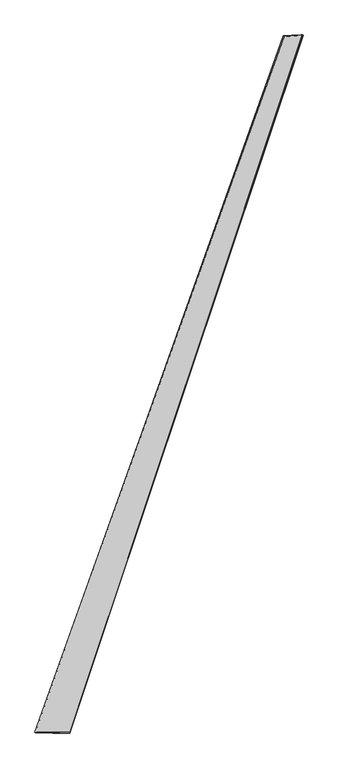
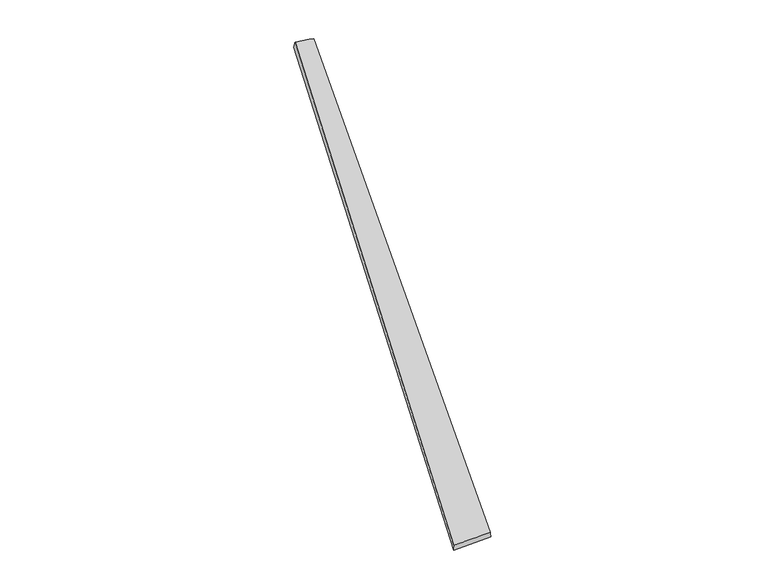
"""IFC4 building model written with IfcOpenShell, lengths in millimetres: proxy geometry."""

from ifc_helpers import new_model, si_unit, origin, place, context, project, spatial, source, transform, mapped, element, save
from ifc_brep_helpers import spline_surface, advanced_brep


def generic_models_97c7ae66(model_context):
    return source(origin(), model_context, "Body", "AdvancedBrep", [
        advanced_brep(
        [(-752.6274682, -1906.6562527, -5.7806911), (-754.1842133, -1906.2207118, 24.1757248), (747.1526242, 2283.4763858, 40.0836578), (740.7603833, 2285.8693414, 10.8704241), (-544.9554388, -1910.8395706, 35.7006146), (860.0777196, 2290.7786535, 18.6991915), (-543.2445454, -1911.5269488, 5.7573289), (855.1116303, 2292.3138601, -10.847062)],
        [
            (0, 1),
            (1, 2),
            (2, 3),
            (3, 0),
            (1, 4),
            (4, 5),
            (5, 2),
            (4, 6),
            (6, 7),
            (7, 5),
            (6, 0),
            (3, 7),
        ],
        [
            spline_surface(1, 1, [[(-752.6274682, -1906.6562527, -5.7806911), (740.7603833, 2285.8693414, 10.8704241)], [(-754.1842133, -1906.2207118, 24.1757248), (747.1526242, 2283.4763858, 40.0836578)]], [2, 2], [2, 2], [0.0, 1.0], [0.0, 1.0]),
            spline_surface(1, 1, [[(-754.1842133, -1906.2207118, 24.1757248), (747.1526242, 2283.4763858, 40.0836578)], [(-544.9554388, -1910.8395706, 35.7006146), (860.0777196, 2290.7786535, 18.6991915)]], [2, 2], [2, 2], [0.0, 1.0], [0.0, 1.0]),
            spline_surface(1, 1, [[(-544.9554388, -1910.8395706, 35.7006146), (860.0777196, 2290.7786535, 18.6991915)], [(-543.2445454, -1911.5269488, 5.7573289), (855.1116303, 2292.3138601, -10.847062)]], [2, 2], [2, 2], [0.0, 1.0], [0.0, 1.0]),
            spline_surface(1, 1, [[(-543.2445454, -1911.5269488, 5.7573289), (855.1116303, 2292.3138601, -10.847062)], [(-752.6274682, -1906.6562527, -5.7806911), (740.7603833, 2285.8693414, 10.8704241)]], [2, 2], [2, 2], [0.0, 1.0], [0.0, 1.0]),
            spline_surface(1, 1, [[(747.1526242, 2283.4763858, 40.0836578), (740.7603833, 2285.8693414, 10.8704241)], [(860.0777196, 2290.7786535, 18.6991915), (855.1116303, 2292.3138601, -10.847062)]], [2, 2], [2, 2], [0.0, 1.0], [0.0, 1.0]),
            spline_surface(1, 1, [[(-543.2445454, -1911.5269488, 5.7573289), (-752.6274682, -1906.6562527, -5.7806911)], [(-544.9554388, -1910.8395706, 35.7006146), (-754.1842133, -1906.2207118, 24.1757248)]], [2, 2], [2, 2], [0.0, 1.0], [0.0, 1.0]),
        ],
        [
            (0, [[1, 2, 3, 4]]),
            (1, [[5, 6, 7, -2]]),
            (2, [[8, 9, 10, -6]]),
            (3, [[11, -4, 12, -9]]),
            (4, [[-3, -7, -10, -12]]),
            (5, [[-11, -8, -5, -1]]),
        ],
    ),
    ])


if __name__ == "__main__":
    model = new_model("IFC4")
    model_context = context("Model", 3, world=origin())
    ifc_project = project(units=[si_unit("LENGTHUNIT", "METRE", prefix="MILLI")], contexts=[model_context])
    site = spatial("IfcSite", under=ifc_project)
    building = spatial("IfcBuilding", under=site)
    placement = place(None, origin())
    generic_models_shape = generic_models_97c7ae66(model_context)
    element("IfcBuildingElementProxy", 1, Name="Generic Models", at=placement, inside=building, context=model_context, shape_type="MappedRepresentation", body=[
        mapped(generic_models_shape, transform((0.0, 0.0, 0.0), x_axis=(1.0, 0.0, 0.0), y_axis=(0.0, 1.0, 0.0), z_axis=(0.0, 0.0, 1.0))),
    ])
    save(model, "model.ifc")
